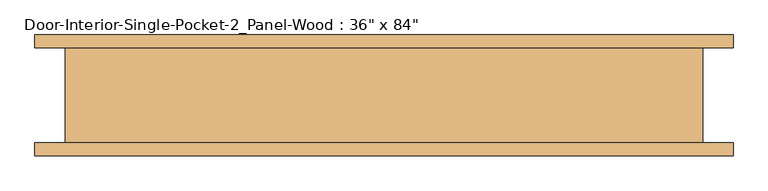
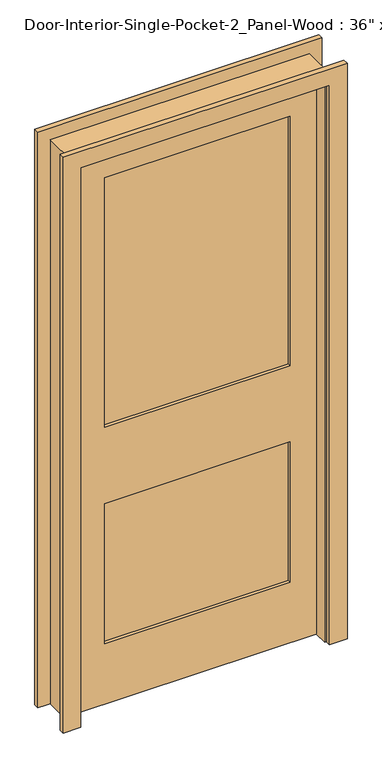
"""IFC4 building model written with IfcOpenShell, lengths in millimetres: door geometry."""

from ifc_helpers import new_model, si_unit, frame, origin, place, context, project, spatial, polyline, outline, extrude, faceted_brep, source, transform, mapped, element, save


def door_e619f99a(model_context):
    return source(origin(), model_context, "Body", "SolidModel", [
        extrude(outline(polyline([(0.0, 438.15), (0.0, 501.65), (2203.45, 501.65), (2203.45, -527.05), (0.0, -527.05), (0.0, -463.55), (2139.95, -463.55), (2139.95, 438.15), (0.0, 438.15)])), frame((0.0, -88.9, 0.0), z_axis=(0.0, 1.0, 0.0), x_axis=(0.0, 0.0, 1.0)), (0.0, 0.0, 1.0), 19.05),
        extrude(outline(polyline([(0.0, 438.15), (0.0, 501.65), (2203.45, 501.65), (2203.45, -527.05), (0.0, -527.05), (0.0, -463.55), (2139.95, -463.55), (2139.95, 438.15), (0.0, 438.15)])), frame((0.0, 69.85, 0.0), z_axis=(0.0, 1.0, 0.0), x_axis=(0.0, 0.0, 1.0)), (0.0, 0.0, 1.0), 19.05),
        faceted_brep([(457.2, -69.85, 0.0), (457.2, -17.4625, 0.0), (457.2, -17.4625, 2133.6), (457.2, 17.4625, 2133.6), (457.2, 17.4625, 0.0), (457.2, 69.85, 0.0), (457.2, 69.85, 2159.0), (457.2, -69.85, 2159.0), (-482.6, -69.85, 2159.0), (-482.6, -69.85, 0.0), (-457.2, -69.85, 0.0), (-457.2, -69.85, 2133.6), (431.8, -69.85, 2133.6), (431.8, -69.85, 0.0), (-457.2, 69.85, 2133.6), (431.8, 69.85, 2133.6), (431.8, 17.4625, 2133.6), (431.8, -17.4625, 2133.6), (431.8, 69.85, 0.0), (-457.2, 69.85, 0.0), (-482.6, 69.85, 0.0), (-482.6, 69.85, 2159.0), (431.8, -17.4625, 0.0), (431.8, 17.4625, 0.0)], [[[0, 1, 2, 3, 4, 5, 6, 7]], [[0, 7, 8, 9, 10, 11, 12, 13]], [[11, 14, 15, 16, 3, 2, 17, 12]], [[6, 5, 18, 15, 14, 19, 20, 21]], [[6, 21, 8, 7]], [[10, 9, 20, 19]], [[11, 10, 19, 14]], [[9, 8, 21, 20]], [[1, 0, 13, 22]], [[5, 4, 23, 18]], [[18, 23, 16, 15]], [[23, 4, 3, 16]], [[1, 22, 17, 2]], [[22, 13, 12, 17]]]),
        extrude(outline(polyline([(336.55, -5.8208333), (-336.55, -5.8208333), (-336.55, 5.8208333), (336.55, 5.8208333), (336.55, -5.8208333)])), frame((0.0, 0.0, 1060.45), z_axis=(0.0, 0.0, 1.0), x_axis=(1.0, 0.0, 0.0)), (0.0, 0.0, 1.0), 954.0875),
        extrude(outline(polyline([(336.55, -5.8208333), (-336.55, -5.8208333), (-336.55, 5.8208333), (336.55, 5.8208333), (336.55, -5.8208333)])), frame((0.0, 0.0, 231.775), z_axis=(0.0, 0.0, 1.0), x_axis=(1.0, 0.0, 0.0)), (0.0, 0.0, 1.0), 536.575),
        extrude(outline(polyline([(2133.6, -457.2), (0.0, -457.2), (0.0, 457.2), (2133.6, 457.2), (2133.6, -457.2)]), holes=[polyline([(2014.5375, -336.55), (2014.5375, 336.55), (1060.45, 336.55), (1060.45, -336.55), (2014.5375, -336.55)]), polyline([(768.35, -336.55), (768.35, 336.55), (231.775, 336.55), (231.775, -336.55), (768.35, -336.55)])]), frame((0.0, -17.4625, 0.0), z_axis=(0.0, 1.0, 0.0), x_axis=(0.0, 0.0, 1.0)), (0.0, 0.0, 1.0), 34.925),
    ])


if __name__ == "__main__":
    model = new_model("IFC4")
    model_context = context("Model", 3, world=origin())
    ifc_project = project(units=[si_unit("LENGTHUNIT", "METRE", prefix="MILLI")], contexts=[model_context])
    site = spatial("IfcSite", under=ifc_project)
    building = spatial("IfcBuilding", under=site)
    placement = place(None, origin())
    door_shape = door_e619f99a(model_context)
    element("IfcDoor", 1, ObjectType="Door-Interior-Single-Pocket-2_Panel-Wood : 36\" x 84\"", at=placement, inside=building, context=model_context, shape_type="MappedRepresentation", body=[
        mapped(door_shape, transform((0.0, 0.0, 0.0), x_axis=(1.0, 0.0, 0.0), y_axis=(0.0, 1.0, 0.0), z_axis=(0.0, 0.0, 1.0))),
    ])
    save(model, "model.ifc")
